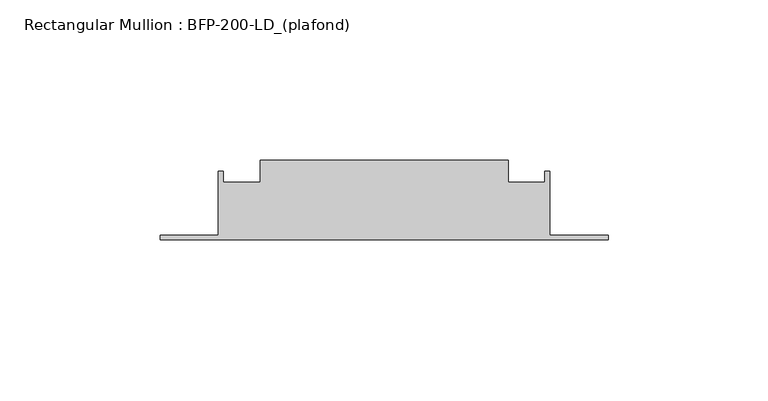
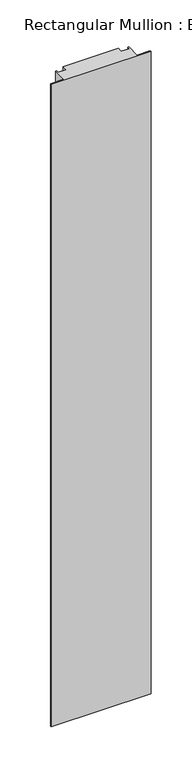
"""IFC4 building model written with IfcOpenShell, lengths in millimetres: member geometry, Rectangular Mullion : BFP-200-LD_(plafond)."""

import ifcopenshell
import ifcopenshell.guid

model = None  # the IFC model being written
_history = None  # IfcOwnerHistory: only IFC2X3 demands one
_inside = {}  # id of a spatial element -> (the spatial element, [elements in it])
_under = {}  # id of a project, library or spatial element -> (it, [spatial elements below it])
_declared = {}  # id of a project -> (the project, [libraries it declares])
_typed = {}  # id of a type object -> (the type object, [elements of that type])
_made_of = {}  # id of a material, layer set ... -> (it, [elements and type objects made of it])


def new_model(schema):
    """Start an empty IFC model of exactly this schema.

    Asked for "IFC4X3", IfcOpenShell would pick the latest addendum, in which some entities
    have other attributes; the version numbers below select the first issue.
    IFC2X3 requires an IfcOwnerHistory on every rooted entity: one is made here for all.
    """
    global model, _history
    if schema == "IFC4X3":
        model = ifcopenshell.file(schema_version=(4, 3, 0, 0))
    else:
        model = ifcopenshell.file(schema=schema)
    _inside.clear()
    _under.clear()
    _declared.clear()
    _typed.clear()
    _made_of.clear()
    _history = None
    if model.schema == "IFC2X3":
        org = make("IfcOrganization", Name="unknown")
        user = make(
            "IfcPersonAndOrganization",
            ThePerson=make("IfcPerson", FamilyName="unknown"),
            TheOrganization=org,
        )
        app = make(
            "IfcApplication",
            ApplicationDeveloper=org,
            Version="unknown",
            ApplicationFullName="unknown",
            ApplicationIdentifier="unknown",
        )
        _history = make(
            "IfcOwnerHistory",
            OwningUser=user,
            OwningApplication=app,
            ChangeAction="ADDED",
            CreationDate=0,
        )
    return model


def make(cls, **values):
    """One entity of the class cls with the attributes given. An attribute that is None is left unset."""
    return model.create_entity(
        cls, **{name: value for name, value in values.items() if value is not None}
    )


def rooted(cls, **values):
    """An entity with a GlobalId (a new one), such as an element, a storey or a relation."""
    return make(cls, GlobalId=ifcopenshell.guid.new(), OwnerHistory=_history, **values)


def si_unit(unit_type, name, prefix=None):
    """IfcSIUnit, for example si_unit("LENGTHUNIT", "METRE", prefix="MILLI")."""
    return make("IfcSIUnit", UnitType=unit_type, Prefix=prefix, Name=name)


def assignment(units):
    """IfcUnitAssignment: the units of a project."""
    return None if units is None else make("IfcUnitAssignment", Units=units)


def point(xyz):
    """IfcCartesianPoint."""
    return None if xyz is None else make("IfcCartesianPoint", Coordinates=xyz)


def direction(xyz):
    """IfcDirection."""
    return None if xyz is None else make("IfcDirection", DirectionRatios=xyz)


def frame(location, z_axis=None, x_axis=None):
    """IfcAxis2Placement3D, a coordinate frame: its origin and axes. An axis left out is left unset."""
    return make(
        "IfcAxis2Placement3D",
        Location=point(location),
        Axis=direction(z_axis),
        RefDirection=direction(x_axis),
    )


def origin():
    """The frame at (0, 0, 0) with its axes left unset."""
    return frame((0.0, 0.0, 0.0))


def place(relative_to, where):
    """IfcLocalPlacement: puts the frame where relative to a parent placement (None: the world)."""
    return make(
        "IfcLocalPlacement", PlacementRelTo=relative_to, RelativePlacement=where
    )


def context(
    kind, dimensions, precision=None, world=None, true_north=None, identifier=None
):
    """IfcGeometricRepresentationContext, for example the 3D "Model" context."""
    return make(
        "IfcGeometricRepresentationContext",
        ContextIdentifier=identifier,
        ContextType=kind,
        CoordinateSpaceDimension=dimensions,
        Precision=precision,
        WorldCoordinateSystem=world,
        TrueNorth=true_north,
    )


def project(units=None, contexts=None):
    """IfcProject with its units and contexts."""
    return rooted(
        "IfcProject",
        Name="project",
        RepresentationContexts=contexts,
        UnitsInContext=assignment(units),
    )


def spatial(cls, under=None, at=None, **own):
    """A site, building, storey or space (cls), placed at a placement, below another one or the project."""
    s = rooted(cls, ObjectPlacement=at, **own)
    if under is not None:
        _under.setdefault(under.id(), (under, []))[1].append(s)
    return s


def polyline(points):
    """IfcPolyline through the points."""
    return make("IfcPolyline", Points=[point(p) for p in points])


def outline(outer, holes=None, kind="AREA"):
    """IfcArbitraryClosedProfileDef: a profile drawn as a closed curve; with holes, ...WithVoids."""
    if holes is None:
        return make("IfcArbitraryClosedProfileDef", ProfileType=kind, OuterCurve=outer)
    return make(
        "IfcArbitraryProfileDefWithVoids",
        ProfileType=kind,
        OuterCurve=outer,
        InnerCurves=holes,
    )


def extrude(swept, where, along, depth):
    """IfcExtrudedAreaSolid: the profile swept, set in the frame where, extruded along a direction by depth."""
    return make(
        "IfcExtrudedAreaSolid",
        SweptArea=swept,
        Position=where,
        ExtrudedDirection=direction(along),
        Depth=depth,
    )


def shape(context_of_items, identifier, shape_type, items):
    """IfcShapeRepresentation: the items that make up one representation, for example the "Body"."""
    return make(
        "IfcShapeRepresentation",
        ContextOfItems=context_of_items,
        RepresentationIdentifier=identifier,
        RepresentationType=shape_type,
        Items=items,
    )


def source(mapping_origin, context_of_items, identifier, shape_type, items):
    """IfcRepresentationMap: a shape defined once, which mapped items show again and again."""
    return make(
        "IfcRepresentationMap",
        MappingOrigin=mapping_origin,
        MappedRepresentation=shape(context_of_items, identifier, shape_type, items),
    )


def transform(
    local_origin,
    x_axis=None,
    y_axis=None,
    z_axis=None,
    scale=None,
    scale2=None,
    scale3=None,
    uniform=True,
):
    """IfcCartesianTransformationOperator3D, or its non-uniform kind. x_axis, y_axis, z_axis: its Axis1, 2, 3."""
    if uniform:
        return make(
            "IfcCartesianTransformationOperator3D",
            Axis1=direction(x_axis),
            Axis2=direction(y_axis),
            LocalOrigin=point(local_origin),
            Scale=scale,
            Axis3=direction(z_axis),
        )
    return make(
        "IfcCartesianTransformationOperator3DnonUniform",
        Axis1=direction(x_axis),
        Axis2=direction(y_axis),
        LocalOrigin=point(local_origin),
        Scale=scale,
        Axis3=direction(z_axis),
        Scale2=scale2,
        Scale3=scale3,
    )


def mapped(mapping_source, mapping_target):
    """IfcMappedItem: shows the shape of a source again, moved by a transform."""
    return make(
        "IfcMappedItem", MappingSource=mapping_source, MappingTarget=mapping_target
    )


def made_of(thing, what):
    """Note that an element or type object is made of a material, layer set ...; save() writes the relation."""
    if what is not None:
        _made_of.setdefault(what.id(), (what, []))[1].append(thing)
    return thing


def element(
    cls,
    number,
    at=None,
    inside=None,
    cuts=None,
    type_object=None,
    material=None,
    context=None,
    identifier="Body",
    shape_type=None,
    held_by="IfcProductDefinitionShape",
    body=None,
    shapes=None,
    **own,
):
    """One element of the class cls, such as IfcWall. Its Tag is "e" and its number.

    at: its placement. inside: the storey or other place that contains it. cuts: it is an
    opening in that element (IfcRelVoidsElement). A single representation is given by context,
    identifier, shape_type and body (its items); several are given by shapes. held_by: the class
    of the entity that holds the representations. save() writes the other relations.
    """
    e = rooted(cls, Tag="e%d" % number, ObjectPlacement=at, **own)
    if body is not None:
        shapes = [shape(context, identifier, shape_type, body)]
    if shapes is not None:
        e.Representation = make(held_by, Representations=shapes)
    if inside is not None:
        _inside.setdefault(inside.id(), (inside, []))[1].append(e)
    if cuts is not None:
        rooted(
            "IfcRelVoidsElement", RelatingBuildingElement=cuts, RelatedOpeningElement=e
        )
    if type_object is not None:
        _typed.setdefault(type_object.id(), (type_object, []))[1].append(e)
    return made_of(e, material)


def aggregate(whole, parts):
    """IfcRelAggregates: a whole, such as a stair, and the parts it consists of."""
    return rooted("IfcRelAggregates", RelatingObject=whole, RelatedObjects=parts)


def save(model, path):
    """Write the relations noted so far, then the file.

    IfcRelAggregates (storeys below a building ...), IfcRelContainedInSpatialStructure (elements
    in a storey), IfcRelDefinesByType, IfcRelAssociatesMaterial and IfcRelDeclares: one each for
    every whole, place, type object, material and project.
    """
    for whole, parts in _under.values():
        aggregate(whole, parts)
    for where, things in _inside.values():
        rooted(
            "IfcRelContainedInSpatialStructure",
            RelatedElements=things,
            RelatingStructure=where,
        )
    for kind, things in _typed.values():
        rooted("IfcRelDefinesByType", RelatedObjects=things, RelatingType=kind)
    for what, things in _made_of.values():
        rooted("IfcRelAssociatesMaterial", RelatedObjects=things, RelatingMaterial=what)
    for by, libraries in _declared.values():
        rooted("IfcRelDeclares", RelatingContext=by, RelatedDefinitions=libraries)
    model.write(path)


def rectangular_mullion_bfp_200_ld_plafond_d33e8a83(model_context):
    return source(origin(), model_context, "Body", "SweptSolid", [
        extrude(outline(polyline([(-38.75, 5.0), (38.75, 5.0), (38.75, -2.0), (50.25, -2.0), (50.25, 1.5), (51.75, 1.5), (51.75, -18.5), (70.0, -18.5), (70.0, -20.0), (-70.0, -20.0), (-70.0, -18.5), (-51.75, -18.5), (-51.75, 1.5), (-50.25, 1.5), (-50.25, -2.0), (-38.75, -2.0), (-38.75, 5.0)])), frame((0.0, 0.0, -954.0951859), z_axis=(0.0, 0.0, 1.0), x_axis=(1.0, 0.0, 0.0)), (0.0, 0.0, 1.0), 954.0951859),
    ])


if __name__ == "__main__":
    model = new_model("IFC4")
    model_context = context("Model", 3, world=origin())
    ifc_project = project(units=[si_unit("LENGTHUNIT", "METRE", prefix="MILLI")], contexts=[model_context])
    site = spatial("IfcSite", under=ifc_project)
    building = spatial("IfcBuilding", under=site)
    placement = place(None, origin())
    rectangular_mullion_bfp_200_ld_plafond_shape = rectangular_mullion_bfp_200_ld_plafond_d33e8a83(model_context)
    element("IfcMember", 1, ObjectType="Rectangular Mullion : BFP-200-LD_(plafond)", at=placement, inside=building, context=model_context, shape_type="MappedRepresentation", body=[
        mapped(rectangular_mullion_bfp_200_ld_plafond_shape, transform((0.0, 0.0, 0.0), x_axis=(1.0, 0.0, 0.0), y_axis=(0.0, 1.0, 0.0), z_axis=(0.0, 0.0, 1.0))),
    ])
    save(model, "model.ifc")
